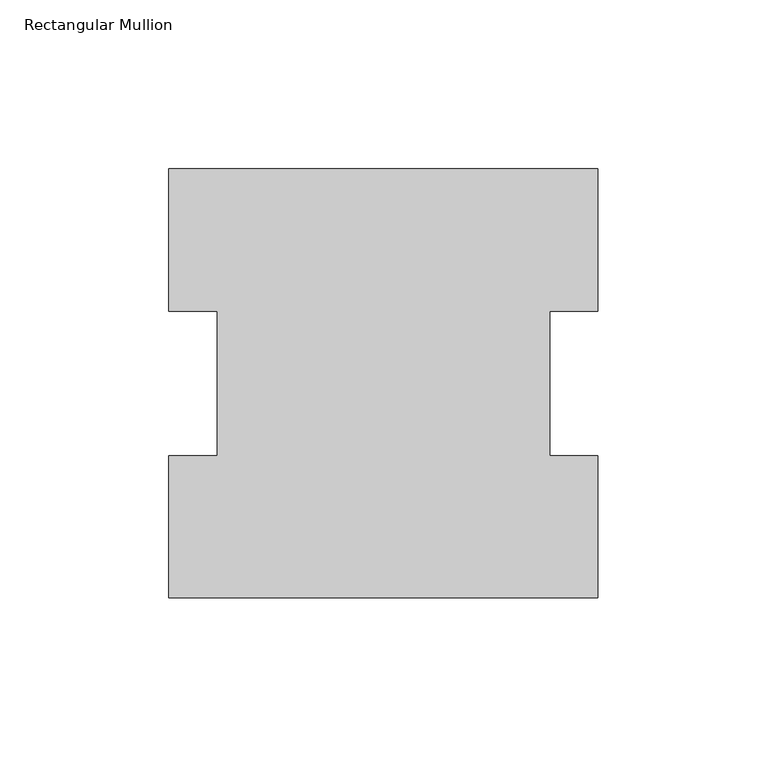
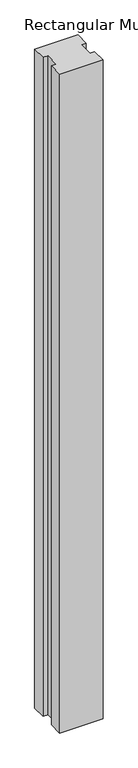
"""IFC4 building model written with IfcOpenShell, lengths in millimetres: member geometry, Rectangular Mullion."""

from ifc_helpers import new_model, si_unit, frame, origin, place, context, project, spatial, polyline, outline, extrude, source, transform, mapped, element, save


def rectangular_mullion_b504320a(model_context):
    return source(origin(), model_context, "Body", "SweptSolid", [
        extrude(outline(polyline([(-63.5, 127.00635), (63.5, 127.00635), (63.5, 84.93125), (49.2125, 84.93125), (49.2125, 42.08145), (63.5, 42.08145), (63.5, 0.00635), (-63.5, 0.00635), (-63.5, 42.08145), (-49.2125, 42.08145), (-49.2125, 84.93125), (-63.5, 84.93125), (-63.5, 127.00635)])), frame((0.0, 0.0, -2044.7227299), z_axis=(0.0, 0.0, 1.0), x_axis=(1.0, 0.0, 0.0)), (0.0, 0.0, 1.0), 2044.7227299),
    ])


if __name__ == "__main__":
    model = new_model("IFC4")
    model_context = context("Model", 3, world=origin())
    ifc_project = project(units=[si_unit("LENGTHUNIT", "METRE", prefix="MILLI")], contexts=[model_context])
    site = spatial("IfcSite", under=ifc_project)
    building = spatial("IfcBuilding", under=site)
    placement = place(None, origin())
    rectangular_mullion_shape = rectangular_mullion_b504320a(model_context)
    element("IfcMember", 1, ObjectType="Rectangular Mullion", at=placement, inside=building, context=model_context, shape_type="MappedRepresentation", body=[
        mapped(rectangular_mullion_shape, transform((0.0, 0.0, 0.0), x_axis=(1.0, 0.0, 0.0), y_axis=(0.0, 1.0, 0.0), z_axis=(0.0, 0.0, 1.0))),
    ])
    save(model, "model.ifc")
